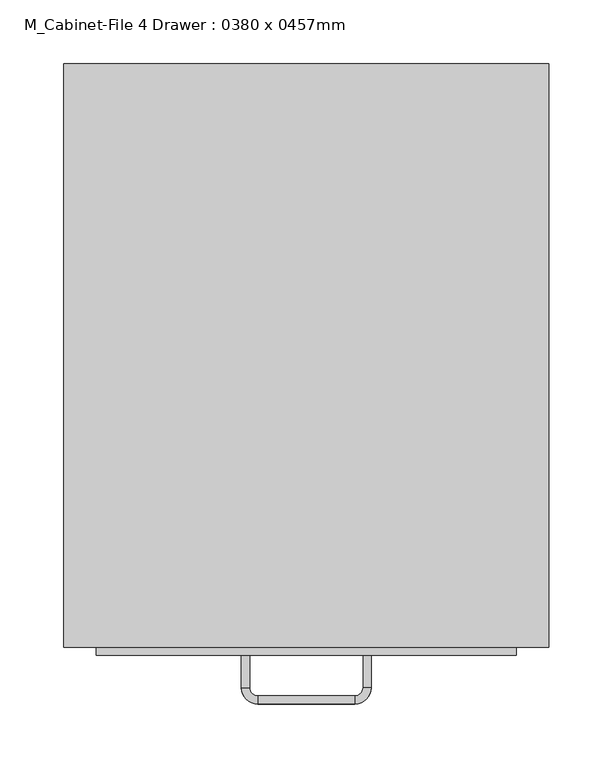
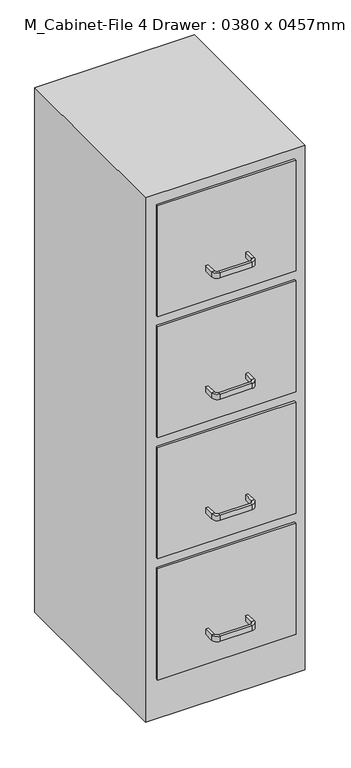
"""IFC4 building model written with IfcOpenShell, lengths in millimetres: furniture geometry, M_Cabinet-File 4 Drawer : 0380 x 0457mm."""

import ifcopenshell
import ifcopenshell.guid

model = None  # the IFC model being written
_history = None  # IfcOwnerHistory: only IFC2X3 demands one
_inside = {}  # id of a spatial element -> (the spatial element, [elements in it])
_under = {}  # id of a project, library or spatial element -> (it, [spatial elements below it])
_declared = {}  # id of a project -> (the project, [libraries it declares])
_typed = {}  # id of a type object -> (the type object, [elements of that type])
_made_of = {}  # id of a material, layer set ... -> (it, [elements and type objects made of it])


def new_model(schema):
    """Start an empty IFC model of exactly this schema.

    Asked for "IFC4X3", IfcOpenShell would pick the latest addendum, in which some entities
    have other attributes; the version numbers below select the first issue.
    IFC2X3 requires an IfcOwnerHistory on every rooted entity: one is made here for all.
    """
    global model, _history
    if schema == "IFC4X3":
        model = ifcopenshell.file(schema_version=(4, 3, 0, 0))
    else:
        model = ifcopenshell.file(schema=schema)
    _inside.clear()
    _under.clear()
    _declared.clear()
    _typed.clear()
    _made_of.clear()
    _history = None
    if model.schema == "IFC2X3":
        org = make("IfcOrganization", Name="unknown")
        user = make(
            "IfcPersonAndOrganization",
            ThePerson=make("IfcPerson", FamilyName="unknown"),
            TheOrganization=org,
        )
        app = make(
            "IfcApplication",
            ApplicationDeveloper=org,
            Version="unknown",
            ApplicationFullName="unknown",
            ApplicationIdentifier="unknown",
        )
        _history = make(
            "IfcOwnerHistory",
            OwningUser=user,
            OwningApplication=app,
            ChangeAction="ADDED",
            CreationDate=0,
        )
    return model


def make(cls, **values):
    """One entity of the class cls with the attributes given. An attribute that is None is left unset."""
    return model.create_entity(
        cls, **{name: value for name, value in values.items() if value is not None}
    )


def rooted(cls, **values):
    """An entity with a GlobalId (a new one), such as an element, a storey or a relation."""
    return make(cls, GlobalId=ifcopenshell.guid.new(), OwnerHistory=_history, **values)


def si_unit(unit_type, name, prefix=None):
    """IfcSIUnit, for example si_unit("LENGTHUNIT", "METRE", prefix="MILLI")."""
    return make("IfcSIUnit", UnitType=unit_type, Prefix=prefix, Name=name)


def assignment(units):
    """IfcUnitAssignment: the units of a project."""
    return None if units is None else make("IfcUnitAssignment", Units=units)


def point(xyz):
    """IfcCartesianPoint."""
    return None if xyz is None else make("IfcCartesianPoint", Coordinates=xyz)


def direction(xyz):
    """IfcDirection."""
    return None if xyz is None else make("IfcDirection", DirectionRatios=xyz)


def frame(location, z_axis=None, x_axis=None):
    """IfcAxis2Placement3D, a coordinate frame: its origin and axes. An axis left out is left unset."""
    return make(
        "IfcAxis2Placement3D",
        Location=point(location),
        Axis=direction(z_axis),
        RefDirection=direction(x_axis),
    )


def origin():
    """The frame at (0, 0, 0) with its axes left unset."""
    return frame((0.0, 0.0, 0.0))


def origin_with_axes():
    """The frame at (0, 0, 0) with the z axis (0, 0, 1) and the x axis (1, 0, 0) written out."""
    return frame((0.0, 0.0, 0.0), z_axis=(0.0, 0.0, 1.0), x_axis=(1.0, 0.0, 0.0))


def place(relative_to, where):
    """IfcLocalPlacement: puts the frame where relative to a parent placement (None: the world)."""
    return make(
        "IfcLocalPlacement", PlacementRelTo=relative_to, RelativePlacement=where
    )


def context(
    kind, dimensions, precision=None, world=None, true_north=None, identifier=None
):
    """IfcGeometricRepresentationContext, for example the 3D "Model" context."""
    return make(
        "IfcGeometricRepresentationContext",
        ContextIdentifier=identifier,
        ContextType=kind,
        CoordinateSpaceDimension=dimensions,
        Precision=precision,
        WorldCoordinateSystem=world,
        TrueNorth=true_north,
    )


def project(units=None, contexts=None):
    """IfcProject with its units and contexts."""
    return rooted(
        "IfcProject",
        Name="project",
        RepresentationContexts=contexts,
        UnitsInContext=assignment(units),
    )


def spatial(cls, under=None, at=None, **own):
    """A site, building, storey or space (cls), placed at a placement, below another one or the project."""
    s = rooted(cls, ObjectPlacement=at, **own)
    if under is not None:
        _under.setdefault(under.id(), (under, []))[1].append(s)
    return s


def polyline(points):
    """IfcPolyline through the points."""
    return make("IfcPolyline", Points=[point(p) for p in points])


def circle_curve(where, radius):
    """IfcCircle in the frame where."""
    return make("IfcCircle", Position=where, Radius=radius)


def outline(outer, holes=None, kind="AREA"):
    """IfcArbitraryClosedProfileDef: a profile drawn as a closed curve; with holes, ...WithVoids."""
    if holes is None:
        return make("IfcArbitraryClosedProfileDef", ProfileType=kind, OuterCurve=outer)
    return make(
        "IfcArbitraryProfileDefWithVoids",
        ProfileType=kind,
        OuterCurve=outer,
        InnerCurves=holes,
    )


def extrude(swept, where, along, depth):
    """IfcExtrudedAreaSolid: the profile swept, set in the frame where, extruded along a direction by depth."""
    return make(
        "IfcExtrudedAreaSolid",
        SweptArea=swept,
        Position=where,
        ExtrudedDirection=direction(along),
        Depth=depth,
    )


def shape(context_of_items, identifier, shape_type, items):
    """IfcShapeRepresentation: the items that make up one representation, for example the "Body"."""
    return make(
        "IfcShapeRepresentation",
        ContextOfItems=context_of_items,
        RepresentationIdentifier=identifier,
        RepresentationType=shape_type,
        Items=items,
    )


def source(mapping_origin, context_of_items, identifier, shape_type, items):
    """IfcRepresentationMap: a shape defined once, which mapped items show again and again."""
    return make(
        "IfcRepresentationMap",
        MappingOrigin=mapping_origin,
        MappedRepresentation=shape(context_of_items, identifier, shape_type, items),
    )


def transform(
    local_origin,
    x_axis=None,
    y_axis=None,
    z_axis=None,
    scale=None,
    scale2=None,
    scale3=None,
    uniform=True,
):
    """IfcCartesianTransformationOperator3D, or its non-uniform kind. x_axis, y_axis, z_axis: its Axis1, 2, 3."""
    if uniform:
        return make(
            "IfcCartesianTransformationOperator3D",
            Axis1=direction(x_axis),
            Axis2=direction(y_axis),
            LocalOrigin=point(local_origin),
            Scale=scale,
            Axis3=direction(z_axis),
        )
    return make(
        "IfcCartesianTransformationOperator3DnonUniform",
        Axis1=direction(x_axis),
        Axis2=direction(y_axis),
        LocalOrigin=point(local_origin),
        Scale=scale,
        Axis3=direction(z_axis),
        Scale2=scale2,
        Scale3=scale3,
    )


def mapped(mapping_source, mapping_target):
    """IfcMappedItem: shows the shape of a source again, moved by a transform."""
    return make(
        "IfcMappedItem", MappingSource=mapping_source, MappingTarget=mapping_target
    )


def made_of(thing, what):
    """Note that an element or type object is made of a material, layer set ...; save() writes the relation."""
    if what is not None:
        _made_of.setdefault(what.id(), (what, []))[1].append(thing)
    return thing


def element(
    cls,
    number,
    at=None,
    inside=None,
    cuts=None,
    type_object=None,
    material=None,
    context=None,
    identifier="Body",
    shape_type=None,
    held_by="IfcProductDefinitionShape",
    body=None,
    shapes=None,
    **own,
):
    """One element of the class cls, such as IfcWall. Its Tag is "e" and its number.

    at: its placement. inside: the storey or other place that contains it. cuts: it is an
    opening in that element (IfcRelVoidsElement). A single representation is given by context,
    identifier, shape_type and body (its items); several are given by shapes. held_by: the class
    of the entity that holds the representations. save() writes the other relations.
    """
    e = rooted(cls, Tag="e%d" % number, ObjectPlacement=at, **own)
    if body is not None:
        shapes = [shape(context, identifier, shape_type, body)]
    if shapes is not None:
        e.Representation = make(held_by, Representations=shapes)
    if inside is not None:
        _inside.setdefault(inside.id(), (inside, []))[1].append(e)
    if cuts is not None:
        rooted(
            "IfcRelVoidsElement", RelatingBuildingElement=cuts, RelatedOpeningElement=e
        )
    if type_object is not None:
        _typed.setdefault(type_object.id(), (type_object, []))[1].append(e)
    return made_of(e, material)


def aggregate(whole, parts):
    """IfcRelAggregates: a whole, such as a stair, and the parts it consists of."""
    return rooted("IfcRelAggregates", RelatingObject=whole, RelatedObjects=parts)


def save(model, path):
    """Write the relations noted so far, then the file.

    IfcRelAggregates (storeys below a building ...), IfcRelContainedInSpatialStructure (elements
    in a storey), IfcRelDefinesByType, IfcRelAssociatesMaterial and IfcRelDeclares: one each for
    every whole, place, type object, material and project.
    """
    for whole, parts in _under.values():
        aggregate(whole, parts)
    for where, things in _inside.values():
        rooted(
            "IfcRelContainedInSpatialStructure",
            RelatedElements=things,
            RelatingStructure=where,
        )
    for kind, things in _typed.values():
        rooted("IfcRelDefinesByType", RelatedObjects=things, RelatingType=kind)
    for what, things in _made_of.values():
        rooted("IfcRelAssociatesMaterial", RelatedObjects=things, RelatingMaterial=what)
    for by, libraries in _declared.values():
        rooted("IfcRelDeclares", RelatingContext=by, RelatedDefinitions=libraries)
    model.write(path)


def plane_surface(at):
    """IfcPlane: the flat surface through the origin of the frame at, square to its z axis."""
    return make("IfcPlane", Position=at)


def cylinder_surface(at, radius):
    """IfcCylindricalSurface: all points at the distance radius from the z axis of the frame at."""
    return make("IfcCylindricalSurface", Position=at, Radius=radius)


def revolved_surface(curve, axis_point, axis_direction):
    """IfcSurfaceOfRevolution: the curve turned about the line through axis_point along axis_direction."""
    return make(
        "IfcSurfaceOfRevolution",
        SweptCurve=make("IfcArbitraryOpenProfileDef", ProfileType="CURVE", Curve=curve),
        AxisPosition=make("IfcAxis1Placement", Location=point(axis_point), Axis=direction(axis_direction)),
    )


def advanced_brep(points, edges, surfaces, faces):
    """IfcAdvancedBrep: a solid bounded by faces that lie on surfaces and meet in shared edges.

    An edge is (start, end): straight between two places in points (the first is 0);
    or (start, end, curve); or (start, end, curve, False) where it runs against its curve.
    A face is (place in surfaces, loops), or (place, loops, False) where it looks against
    its surface's normal. A loop lists edges by number (the first is 1), with a minus sign
    where the edge is run from its end to its start. The first loop is the outer one.
    """
    corners = [point(p) for p in points]
    vertices = [make("IfcVertexPoint", VertexGeometry=c) for c in corners]
    made = []
    for start, end, *more in edges:
        made.append(
            make(
                "IfcEdgeCurve",
                EdgeStart=vertices[start],
                EdgeEnd=vertices[end],
                EdgeGeometry=more[0] if more else make("IfcPolyline", Points=[corners[start], corners[end]]),
                SameSense=more[1] if len(more) > 1 else True,
            )
        )
    hull = []
    for where, loops, *sense in faces:
        bounds = []
        for j, loop in enumerate(loops):
            ring = [make("IfcOrientedEdge", EdgeElement=made[abs(k) - 1], Orientation=k > 0) for k in loop]
            bounds.append(
                make(
                    "IfcFaceOuterBound" if j == 0 else "IfcFaceBound",
                    Bound=make("IfcEdgeLoop", EdgeList=ring),
                    Orientation=True,
                )
            )
        hull.append(make("IfcAdvancedFace", Bounds=bounds, FaceSurface=surfaces[where], SameSense=sense[0] if sense else True))
    return make("IfcAdvancedBrep", Outer=make("IfcClosedShell", CfsFaces=hull))


def m_cabinet_file_4_drawer_0380_x_0457mm_2699b43c(model_context):
    return source(origin(), model_context, "Body", "SolidModel", [
        extrude(outline(polyline([(62.103553, 86.3656999), (62.103553, -370.6343001), (-317.896447, -370.6343001), (-317.896447, 86.3656999), (62.103553, 86.3656999)])), origin_with_axes(), (0.0, 0.0, 1.0), 1320.0),
        extrude(outline(polyline([(36.703553, -376.9843001), (-292.496447, -376.9843001), (-292.496447, -370.6343001), (36.703553, -370.6343001), (36.703553, -376.9843001)])), frame((0.0, 0.0, 1016.0), z_axis=(0.0, 0.0, 1.0), x_axis=(1.0, 0.0, 0.0)), (0.0, 0.0, 1.0), 278.6),
        extrude(outline(polyline([(36.703553, -376.9843001), (-292.496447, -376.9843001), (-292.496447, -370.6343001), (36.703553, -370.6343001), (36.703553, -376.9843001)])), frame((0.0, 0.0, 711.2), z_axis=(0.0, 0.0, 1.0), x_axis=(1.0, 0.0, 0.0)), (0.0, 0.0, 1.0), 279.4),
        extrude(outline(polyline([(36.703553, -376.9843001), (-292.496447, -376.9843001), (-292.496447, -370.6343001), (36.703553, -370.6343001), (36.703553, -376.9843001)])), frame((0.0, 0.0, 406.4), z_axis=(0.0, 0.0, 1.0), x_axis=(1.0, 0.0, 0.0)), (0.0, 0.0, 1.0), 279.4),
        extrude(outline(polyline([(36.703553, -376.9843001), (-292.496447, -376.9843001), (-292.496447, -370.6343001), (36.703553, -370.6343001), (36.703553, -376.9843001)])), frame((0.0, 0.0, 101.6), z_axis=(0.0, 0.0, 1.0), x_axis=(1.0, 0.0, 0.0)), (0.0, 0.0, 1.0), 279.4),
        advanced_brep(
        [(-172.346447, -376.9843001, 177.8), (-178.696447, -376.9843001, 177.8), (-178.696447, -376.9843001, 190.5), (-172.346447, -376.9843001, 190.5), (-172.346447, -402.3843001, 177.8), (-178.696447, -402.3843001, 177.8), (-178.696447, -402.3843001, 190.5), (-172.346447, -402.3843001, 190.5), (-165.996447, -415.0843001, 177.8), (-165.996447, -408.7343001, 177.8), (-165.996447, -415.0843001, 190.5), (-165.996447, -408.7343001, 190.5), (-89.796447, -408.7343001, 177.8), (-89.796447, -415.0843001, 177.8), (-89.796447, -415.0843001, 190.5), (-89.796447, -408.7343001, 190.5), (-77.096447, -402.3843001, 177.8), (-83.446447, -402.3843001, 177.8), (-77.096447, -402.3843001, 190.5), (-83.446447, -402.3843001, 190.5), (-83.446447, -376.9843001, 177.8), (-83.446447, -376.9843001, 190.5), (-77.096447, -376.9843001, 190.5), (-77.096447, -376.9843001, 177.8)],
        [
            (0, 1),
            (1, 2),
            (2, 3),
            (3, 0),
            (0, 4),
            (4, 5),
            (5, 1),
            (5, 6),
            (6, 2),
            (6, 7),
            (7, 3),
            (7, 4),
            (8, 5, circle_curve(frame((-165.996447, -402.3843001, 177.8), z_axis=(0.0, 0.0, -1.0), x_axis=(-1.0, 0.0, 0.0)), 12.7)),
            (4, 9, circle_curve(frame((-165.996447, -402.3843001, 177.8), z_axis=(0.0, 0.0, 1.0), x_axis=(-1.0, 0.0, 0.0)), 6.35)),
            (9, 8),
            (10, 6, circle_curve(frame((-165.996447, -402.3843001, 190.5), z_axis=(0.0, 0.0, -1.0), x_axis=(-1.0, 0.0, 0.0)), 12.7)),
            (8, 10),
            (11, 7, circle_curve(frame((-165.996447, -402.3843001, 190.5), z_axis=(0.0, 0.0, -1.0), x_axis=(-1.0, 0.0, 0.0)), 6.35)),
            (10, 11),
            (11, 9),
            (9, 12),
            (12, 13),
            (13, 8),
            (13, 14),
            (14, 10),
            (14, 15),
            (15, 11),
            (15, 12),
            (16, 13, circle_curve(frame((-89.796447, -402.3843001, 177.8), z_axis=(0.0, 0.0, -1.0), x_axis=(0.0, -1.0, 0.0)), 12.7)),
            (12, 17, circle_curve(frame((-89.796447, -402.3843001, 177.8), z_axis=(0.0, 0.0, 1.0), x_axis=(0.0, -1.0, 0.0)), 6.35)),
            (17, 16),
            (18, 14, circle_curve(frame((-89.796447, -402.3843001, 190.5), z_axis=(0.0, 0.0, -1.0), x_axis=(0.0, -1.0, 0.0)), 12.7)),
            (16, 18),
            (19, 15, circle_curve(frame((-89.796447, -402.3843001, 190.5), z_axis=(0.0, 0.0, -1.0), x_axis=(0.0, -1.0, 0.0)), 6.35)),
            (18, 19),
            (19, 17),
            (20, 21),
            (21, 22),
            (22, 23),
            (23, 20),
            (17, 20),
            (23, 16),
            (22, 18),
            (21, 19),
        ],
        [
            plane_surface(frame((-1283.614694, -376.9843001, 0.0), z_axis=(0.0, 1.0, 0.0), x_axis=(0.0, 0.0, -1.0))),
            plane_surface(frame((-172.346447, -376.9843001, 177.8), z_axis=(0.0, 0.0, -1.0), x_axis=(0.0, -1.0, 0.0))),
            plane_surface(frame((-178.696447, -376.9843001, 177.8), z_axis=(-1.0, 0.0, 0.0), x_axis=(0.0, -1.0, 0.0))),
            plane_surface(frame((-178.696447, -376.9843001, 190.5), z_axis=(0.0, 0.0, 1.0), x_axis=(0.0, -1.0, 0.0))),
            plane_surface(frame((-172.346447, -376.9843001, 190.5), z_axis=(1.0, 0.0, 0.0), x_axis=(0.0, -1.0, 0.0))),
            plane_surface(frame((-165.996447, -402.3843001, 177.8), z_axis=(0.0, 0.0, -1.0), x_axis=(-1.0, 0.0, 0.0))),
            cylinder_surface(frame((-165.996447, -402.3843001, 0.0), z_axis=(0.0, 0.0, 1.0), x_axis=(-1.0, 0.0, 0.0)), 12.7),
            plane_surface(frame((-165.996447, -402.3843001, 190.5), z_axis=(0.0, 0.0, 1.0), x_axis=(-1.0, 0.0, 0.0))),
            revolved_surface(polyline([(-172.34644699999998, -402.3843001, 190.5), (-172.34644699999998, -402.3843001, 177.8)]), (-165.996447, -402.3843001, 0.0), (0.0, 0.0, 1.0)),
            plane_surface(frame((-165.996447, -408.7343001, 177.8), z_axis=(0.0, 0.0, -1.0), x_axis=(1.0, 0.0, 0.0))),
            plane_surface(frame((-165.996447, -415.0843001, 177.8), z_axis=(0.0, -1.0, 0.0), x_axis=(1.0, 0.0, 0.0))),
            plane_surface(frame((-165.996447, -415.0843001, 190.5), z_axis=(0.0, 0.0, 1.0), x_axis=(1.0, 0.0, 0.0))),
            plane_surface(frame((-165.996447, -408.7343001, 190.5), z_axis=(0.0, 1.0, 0.0), x_axis=(1.0, 0.0, 0.0))),
            plane_surface(frame((-89.796447, -402.3843001, 177.8), z_axis=(0.0, 0.0, -1.0), x_axis=(0.0, -1.0, 0.0))),
            cylinder_surface(frame((-89.796447, -402.3843001, 0.0), z_axis=(0.0, 0.0, 1.0), x_axis=(0.0, -1.0, 0.0)), 12.7),
            plane_surface(frame((-89.796447, -402.3843001, 190.5), z_axis=(0.0, 0.0, 1.0), x_axis=(0.0, -1.0, 0.0))),
            revolved_surface(polyline([(-89.796447, -408.73430010000004, 190.5), (-89.796447, -408.73430010000004, 177.8)]), (-89.796447, -402.3843001, 0.0), (0.0, 0.0, 1.0)),
            plane_surface(frame((-1182.014694, -376.9843001, 0.0), z_axis=(0.0, 1.0, 0.0), x_axis=(0.0, 0.0, 1.0))),
            plane_surface(frame((-83.446447, -402.3843001, 177.8), z_axis=(0.0, 0.0, -1.0), x_axis=(0.0, 1.0, 0.0))),
            plane_surface(frame((-77.096447, -402.3843001, 177.8), z_axis=(1.0, 0.0, 0.0), x_axis=(0.0, 1.0, 0.0))),
            plane_surface(frame((-77.096447, -402.3843001, 190.5), z_axis=(0.0, 0.0, 1.0), x_axis=(0.0, 1.0, 0.0))),
            plane_surface(frame((-83.446447, -402.3843001, 190.5), z_axis=(-1.0, 0.0, 0.0), x_axis=(0.0, 1.0, 0.0))),
        ],
        [
            (0, [[1, 2, 3, 4]]),
            (1, [[-1, 5, 6, 7]]),
            (2, [[-2, -7, 8, 9]]),
            (3, [[-3, -9, 10, 11]]),
            (4, [[-4, -11, 12, -5]]),
            (5, [[13, -6, 14, 15]]),
            (6, [[16, -8, -13, 17]]),
            (7, [[18, -10, -16, 19]]),
            (8, [[-14, -12, -18, 20]]),
            (9, [[-15, 21, 22, 23]]),
            (10, [[-17, -23, 24, 25]]),
            (11, [[-19, -25, 26, 27]]),
            (12, [[-20, -27, 28, -21]]),
            (13, [[29, -22, 30, 31]]),
            (14, [[32, -24, -29, 33]]),
            (15, [[34, -26, -32, 35]]),
            (16, [[-30, -28, -34, 36]]),
            (17, [[37, 38, 39, 40]]),
            (18, [[-31, 41, -40, 42]]),
            (19, [[-33, -42, -39, 43]]),
            (20, [[-35, -43, -38, 44]]),
            (21, [[-36, -44, -37, -41]]),
        ],
    ),
        advanced_brep(
        [(-172.346447, -376.9843001, 482.6), (-178.696447, -376.9843001, 482.6), (-178.696447, -376.9843001, 495.3), (-172.346447, -376.9843001, 495.3), (-172.346447, -402.3843001, 482.6), (-178.696447, -402.3843001, 482.6), (-178.696447, -402.3843001, 495.3), (-172.346447, -402.3843001, 495.3), (-165.996447, -415.0843001, 482.6), (-165.996447, -408.7343001, 482.6), (-165.996447, -415.0843001, 495.3), (-165.996447, -408.7343001, 495.3), (-89.796447, -408.7343001, 482.6), (-89.796447, -415.0843001, 482.6), (-89.796447, -415.0843001, 495.3), (-89.796447, -408.7343001, 495.3), (-77.096447, -402.3843001, 482.6), (-83.446447, -402.3843001, 482.6), (-77.096447, -402.3843001, 495.3), (-83.446447, -402.3843001, 495.3), (-83.446447, -376.9843001, 482.6), (-83.446447, -376.9843001, 495.3), (-77.096447, -376.9843001, 495.3), (-77.096447, -376.9843001, 482.6)],
        [
            (0, 1),
            (1, 2),
            (2, 3),
            (3, 0),
            (0, 4),
            (4, 5),
            (5, 1),
            (5, 6),
            (6, 2),
            (6, 7),
            (7, 3),
            (7, 4),
            (8, 5, circle_curve(frame((-165.996447, -402.3843001, 482.6), z_axis=(0.0, 0.0, -1.0), x_axis=(-1.0, 0.0, 0.0)), 12.7)),
            (4, 9, circle_curve(frame((-165.996447, -402.3843001, 482.6), z_axis=(0.0, 0.0, 1.0), x_axis=(-1.0, 0.0, 0.0)), 6.35)),
            (9, 8),
            (10, 6, circle_curve(frame((-165.996447, -402.3843001, 495.3), z_axis=(0.0, 0.0, -1.0), x_axis=(-1.0, 0.0, 0.0)), 12.7)),
            (8, 10),
            (11, 7, circle_curve(frame((-165.996447, -402.3843001, 495.3), z_axis=(0.0, 0.0, -1.0), x_axis=(-1.0, 0.0, 0.0)), 6.35)),
            (10, 11),
            (11, 9),
            (9, 12),
            (12, 13),
            (13, 8),
            (13, 14),
            (14, 10),
            (14, 15),
            (15, 11),
            (15, 12),
            (16, 13, circle_curve(frame((-89.796447, -402.3843001, 482.6), z_axis=(0.0, 0.0, -1.0), x_axis=(0.0, -1.0, 0.0)), 12.7)),
            (12, 17, circle_curve(frame((-89.796447, -402.3843001, 482.6), z_axis=(0.0, 0.0, 1.0), x_axis=(0.0, -1.0, 0.0)), 6.35)),
            (17, 16),
            (18, 14, circle_curve(frame((-89.796447, -402.3843001, 495.3), z_axis=(0.0, 0.0, -1.0), x_axis=(0.0, -1.0, 0.0)), 12.7)),
            (16, 18),
            (19, 15, circle_curve(frame((-89.796447, -402.3843001, 495.3), z_axis=(0.0, 0.0, -1.0), x_axis=(0.0, -1.0, 0.0)), 6.35)),
            (18, 19),
            (19, 17),
            (20, 21),
            (21, 22),
            (22, 23),
            (23, 20),
            (17, 20),
            (23, 16),
            (22, 18),
            (21, 19),
        ],
        [
            plane_surface(frame((-1283.614694, -376.9843001, 0.0), z_axis=(0.0, 1.0, 0.0), x_axis=(0.0, 0.0, -1.0))),
            plane_surface(frame((-172.346447, -376.9843001, 482.6), z_axis=(0.0, 0.0, -1.0), x_axis=(0.0, -1.0, 0.0))),
            plane_surface(frame((-178.696447, -376.9843001, 482.6), z_axis=(-1.0, 0.0, 0.0), x_axis=(0.0, -1.0, 0.0))),
            plane_surface(frame((-178.696447, -376.9843001, 495.3), z_axis=(0.0, 0.0, 1.0), x_axis=(0.0, -1.0, 0.0))),
            plane_surface(frame((-172.346447, -376.9843001, 495.3), z_axis=(1.0, 0.0, 0.0), x_axis=(0.0, -1.0, 0.0))),
            plane_surface(frame((-165.996447, -402.3843001, 482.6), z_axis=(0.0, 0.0, -1.0), x_axis=(-1.0, 0.0, 0.0))),
            cylinder_surface(frame((-165.996447, -402.3843001, 0.0), z_axis=(0.0, 0.0, 1.0), x_axis=(-1.0, 0.0, 0.0)), 12.7),
            plane_surface(frame((-165.996447, -402.3843001, 495.3), z_axis=(0.0, 0.0, 1.0), x_axis=(-1.0, 0.0, 0.0))),
            revolved_surface(polyline([(-172.34644699999998, -402.3843001, 495.3), (-172.34644699999998, -402.3843001, 482.6)]), (-165.996447, -402.3843001, 0.0), (0.0, 0.0, 1.0)),
            plane_surface(frame((-165.996447, -408.7343001, 482.6), z_axis=(0.0, 0.0, -1.0), x_axis=(1.0, 0.0, 0.0))),
            plane_surface(frame((-165.996447, -415.0843001, 482.6), z_axis=(0.0, -1.0, 0.0), x_axis=(1.0, 0.0, 0.0))),
            plane_surface(frame((-165.996447, -415.0843001, 495.3), z_axis=(0.0, 0.0, 1.0), x_axis=(1.0, 0.0, 0.0))),
            plane_surface(frame((-165.996447, -408.7343001, 495.3), z_axis=(0.0, 1.0, 0.0), x_axis=(1.0, 0.0, 0.0))),
            plane_surface(frame((-89.796447, -402.3843001, 482.6), z_axis=(0.0, 0.0, -1.0), x_axis=(0.0, -1.0, 0.0))),
            cylinder_surface(frame((-89.796447, -402.3843001, 0.0), z_axis=(0.0, 0.0, 1.0), x_axis=(0.0, -1.0, 0.0)), 12.7),
            plane_surface(frame((-89.796447, -402.3843001, 495.3), z_axis=(0.0, 0.0, 1.0), x_axis=(0.0, -1.0, 0.0))),
            revolved_surface(polyline([(-89.796447, -408.73430010000004, 495.3), (-89.796447, -408.73430010000004, 482.6)]), (-89.796447, -402.3843001, 0.0), (0.0, 0.0, 1.0)),
            plane_surface(frame((-1182.014694, -376.9843001, 0.0), z_axis=(0.0, 1.0, 0.0), x_axis=(0.0, 0.0, 1.0))),
            plane_surface(frame((-83.446447, -402.3843001, 482.6), z_axis=(0.0, 0.0, -1.0), x_axis=(0.0, 1.0, 0.0))),
            plane_surface(frame((-77.096447, -402.3843001, 482.6), z_axis=(1.0, 0.0, 0.0), x_axis=(0.0, 1.0, 0.0))),
            plane_surface(frame((-77.096447, -402.3843001, 495.3), z_axis=(0.0, 0.0, 1.0), x_axis=(0.0, 1.0, 0.0))),
            plane_surface(frame((-83.446447, -402.3843001, 495.3), z_axis=(-1.0, 0.0, 0.0), x_axis=(0.0, 1.0, 0.0))),
        ],
        [
            (0, [[1, 2, 3, 4]]),
            (1, [[-1, 5, 6, 7]]),
            (2, [[-2, -7, 8, 9]]),
            (3, [[-3, -9, 10, 11]]),
            (4, [[-4, -11, 12, -5]]),
            (5, [[13, -6, 14, 15]]),
            (6, [[16, -8, -13, 17]]),
            (7, [[18, -10, -16, 19]]),
            (8, [[-14, -12, -18, 20]]),
            (9, [[-15, 21, 22, 23]]),
            (10, [[-17, -23, 24, 25]]),
            (11, [[-19, -25, 26, 27]]),
            (12, [[-20, -27, 28, -21]]),
            (13, [[29, -22, 30, 31]]),
            (14, [[32, -24, -29, 33]]),
            (15, [[34, -26, -32, 35]]),
            (16, [[-30, -28, -34, 36]]),
            (17, [[37, 38, 39, 40]]),
            (18, [[-31, 41, -40, 42]]),
            (19, [[-33, -42, -39, 43]]),
            (20, [[-35, -43, -38, 44]]),
            (21, [[-36, -44, -37, -41]]),
        ],
    ),
        advanced_brep(
        [(-172.346447, -376.9843001, 787.4), (-178.696447, -376.9843001, 787.4), (-178.696447, -376.9843001, 800.1), (-172.346447, -376.9843001, 800.1), (-172.346447, -402.3843001, 787.4), (-178.696447, -402.3843001, 787.4), (-178.696447, -402.3843001, 800.1), (-172.346447, -402.3843001, 800.1), (-165.996447, -415.0843001, 787.4), (-165.996447, -408.7343001, 787.4), (-165.996447, -415.0843001, 800.1), (-165.996447, -408.7343001, 800.1), (-89.796447, -408.7343001, 787.4), (-89.796447, -415.0843001, 787.4), (-89.796447, -415.0843001, 800.1), (-89.796447, -408.7343001, 800.1), (-77.096447, -402.3843001, 787.4), (-83.446447, -402.3843001, 787.4), (-77.096447, -402.3843001, 800.1), (-83.446447, -402.3843001, 800.1), (-83.446447, -376.9843001, 787.4), (-83.446447, -376.9843001, 800.1), (-77.096447, -376.9843001, 800.1), (-77.096447, -376.9843001, 787.4)],
        [
            (0, 1),
            (1, 2),
            (2, 3),
            (3, 0),
            (0, 4),
            (4, 5),
            (5, 1),
            (5, 6),
            (6, 2),
            (6, 7),
            (7, 3),
            (7, 4),
            (8, 5, circle_curve(frame((-165.996447, -402.3843001, 787.4), z_axis=(0.0, 0.0, -1.0), x_axis=(-1.0, 0.0, 0.0)), 12.7)),
            (4, 9, circle_curve(frame((-165.996447, -402.3843001, 787.4), z_axis=(0.0, 0.0, 1.0), x_axis=(-1.0, 0.0, 0.0)), 6.35)),
            (9, 8),
            (10, 6, circle_curve(frame((-165.996447, -402.3843001, 800.1), z_axis=(0.0, 0.0, -1.0), x_axis=(-1.0, 0.0, 0.0)), 12.7)),
            (8, 10),
            (11, 7, circle_curve(frame((-165.996447, -402.3843001, 800.1), z_axis=(0.0, 0.0, -1.0), x_axis=(-1.0, 0.0, 0.0)), 6.35)),
            (10, 11),
            (11, 9),
            (9, 12),
            (12, 13),
            (13, 8),
            (13, 14),
            (14, 10),
            (14, 15),
            (15, 11),
            (15, 12),
            (16, 13, circle_curve(frame((-89.796447, -402.3843001, 787.4), z_axis=(0.0, 0.0, -1.0), x_axis=(0.0, -1.0, 0.0)), 12.7)),
            (12, 17, circle_curve(frame((-89.796447, -402.3843001, 787.4), z_axis=(0.0, 0.0, 1.0), x_axis=(0.0, -1.0, 0.0)), 6.35)),
            (17, 16),
            (18, 14, circle_curve(frame((-89.796447, -402.3843001, 800.1), z_axis=(0.0, 0.0, -1.0), x_axis=(0.0, -1.0, 0.0)), 12.7)),
            (16, 18),
            (19, 15, circle_curve(frame((-89.796447, -402.3843001, 800.1), z_axis=(0.0, 0.0, -1.0), x_axis=(0.0, -1.0, 0.0)), 6.35)),
            (18, 19),
            (19, 17),
            (20, 21),
            (21, 22),
            (22, 23),
            (23, 20),
            (17, 20),
            (23, 16),
            (22, 18),
            (21, 19),
        ],
        [
            plane_surface(frame((-1283.614694, -376.9843001, 0.0), z_axis=(0.0, 1.0, 0.0), x_axis=(0.0, 0.0, -1.0))),
            plane_surface(frame((-172.346447, -376.9843001, 787.4), z_axis=(0.0, 0.0, -1.0), x_axis=(0.0, -1.0, 0.0))),
            plane_surface(frame((-178.696447, -376.9843001, 787.4), z_axis=(-1.0, 0.0, 0.0), x_axis=(0.0, -1.0, 0.0))),
            plane_surface(frame((-178.696447, -376.9843001, 800.1), z_axis=(0.0, 0.0, 1.0), x_axis=(0.0, -1.0, 0.0))),
            plane_surface(frame((-172.346447, -376.9843001, 800.1), z_axis=(1.0, 0.0, 0.0), x_axis=(0.0, -1.0, 0.0))),
            plane_surface(frame((-165.996447, -402.3843001, 787.4), z_axis=(0.0, 0.0, -1.0), x_axis=(-1.0, 0.0, 0.0))),
            cylinder_surface(frame((-165.996447, -402.3843001, 0.0), z_axis=(0.0, 0.0, 1.0), x_axis=(-1.0, 0.0, 0.0)), 12.7),
            plane_surface(frame((-165.996447, -402.3843001, 800.1), z_axis=(0.0, 0.0, 1.0), x_axis=(-1.0, 0.0, 0.0))),
            revolved_surface(polyline([(-172.34644699999998, -402.3843001, 800.1), (-172.34644699999998, -402.3843001, 787.4)]), (-165.996447, -402.3843001, 0.0), (0.0, 0.0, 1.0)),
            plane_surface(frame((-165.996447, -408.7343001, 787.4), z_axis=(0.0, 0.0, -1.0), x_axis=(1.0, 0.0, 0.0))),
            plane_surface(frame((-165.996447, -415.0843001, 787.4), z_axis=(0.0, -1.0, 0.0), x_axis=(1.0, 0.0, 0.0))),
            plane_surface(frame((-165.996447, -415.0843001, 800.1), z_axis=(0.0, 0.0, 1.0), x_axis=(1.0, 0.0, 0.0))),
            plane_surface(frame((-165.996447, -408.7343001, 800.1), z_axis=(0.0, 1.0, 0.0), x_axis=(1.0, 0.0, 0.0))),
            plane_surface(frame((-89.796447, -402.3843001, 787.4), z_axis=(0.0, 0.0, -1.0), x_axis=(0.0, -1.0, 0.0))),
            cylinder_surface(frame((-89.796447, -402.3843001, 0.0), z_axis=(0.0, 0.0, 1.0), x_axis=(0.0, -1.0, 0.0)), 12.7),
            plane_surface(frame((-89.796447, -402.3843001, 800.1), z_axis=(0.0, 0.0, 1.0), x_axis=(0.0, -1.0, 0.0))),
            revolved_surface(polyline([(-89.796447, -408.73430010000004, 800.1), (-89.796447, -408.73430010000004, 787.4)]), (-89.796447, -402.3843001, 0.0), (0.0, 0.0, 1.0)),
            plane_surface(frame((-1182.014694, -376.9843001, 0.0), z_axis=(0.0, 1.0, 0.0), x_axis=(0.0, 0.0, 1.0))),
            plane_surface(frame((-83.446447, -402.3843001, 787.4), z_axis=(0.0, 0.0, -1.0), x_axis=(0.0, 1.0, 0.0))),
            plane_surface(frame((-77.096447, -402.3843001, 787.4), z_axis=(1.0, 0.0, 0.0), x_axis=(0.0, 1.0, 0.0))),
            plane_surface(frame((-77.096447, -402.3843001, 800.1), z_axis=(0.0, 0.0, 1.0), x_axis=(0.0, 1.0, 0.0))),
            plane_surface(frame((-83.446447, -402.3843001, 800.1), z_axis=(-1.0, 0.0, 0.0), x_axis=(0.0, 1.0, 0.0))),
        ],
        [
            (0, [[1, 2, 3, 4]]),
            (1, [[-1, 5, 6, 7]]),
            (2, [[-2, -7, 8, 9]]),
            (3, [[-3, -9, 10, 11]]),
            (4, [[-4, -11, 12, -5]]),
            (5, [[13, -6, 14, 15]]),
            (6, [[16, -8, -13, 17]]),
            (7, [[18, -10, -16, 19]]),
            (8, [[-14, -12, -18, 20]]),
            (9, [[-15, 21, 22, 23]]),
            (10, [[-17, -23, 24, 25]]),
            (11, [[-19, -25, 26, 27]]),
            (12, [[-20, -27, 28, -21]]),
            (13, [[29, -22, 30, 31]]),
            (14, [[32, -24, -29, 33]]),
            (15, [[34, -26, -32, 35]]),
            (16, [[-30, -28, -34, 36]]),
            (17, [[37, 38, 39, 40]]),
            (18, [[-31, 41, -40, 42]]),
            (19, [[-33, -42, -39, 43]]),
            (20, [[-35, -43, -38, 44]]),
            (21, [[-36, -44, -37, -41]]),
        ],
    ),
        advanced_brep(
        [(-172.346447, -376.9843001, 1092.2), (-178.696447, -376.9843001, 1092.2), (-178.696447, -376.9843001, 1104.9), (-172.346447, -376.9843001, 1104.9), (-172.346447, -402.3843001, 1092.2), (-178.696447, -402.3843001, 1092.2), (-178.696447, -402.3843001, 1104.9), (-172.346447, -402.3843001, 1104.9), (-165.996447, -415.0843001, 1092.2), (-165.996447, -408.7343001, 1092.2), (-165.996447, -415.0843001, 1104.9), (-165.996447, -408.7343001, 1104.9), (-89.796447, -408.7343001, 1092.2), (-89.796447, -415.0843001, 1092.2), (-89.796447, -415.0843001, 1104.9), (-89.796447, -408.7343001, 1104.9), (-77.096447, -402.3843001, 1092.2), (-83.446447, -402.3843001, 1092.2), (-77.096447, -402.3843001, 1104.9), (-83.446447, -402.3843001, 1104.9), (-83.446447, -376.9843001, 1092.2), (-83.446447, -376.9843001, 1104.9), (-77.096447, -376.9843001, 1104.9), (-77.096447, -376.9843001, 1092.2)],
        [
            (0, 1),
            (1, 2),
            (2, 3),
            (3, 0),
            (0, 4),
            (4, 5),
            (5, 1),
            (5, 6),
            (6, 2),
            (6, 7),
            (7, 3),
            (7, 4),
            (8, 5, circle_curve(frame((-165.996447, -402.3843001, 1092.2), z_axis=(0.0, 0.0, -1.0), x_axis=(-1.0, 0.0, 0.0)), 12.7)),
            (4, 9, circle_curve(frame((-165.996447, -402.3843001, 1092.2), z_axis=(0.0, 0.0, 1.0), x_axis=(-1.0, 0.0, 0.0)), 6.35)),
            (9, 8),
            (10, 6, circle_curve(frame((-165.996447, -402.3843001, 1104.9), z_axis=(0.0, 0.0, -1.0), x_axis=(-1.0, 0.0, 0.0)), 12.7)),
            (8, 10),
            (11, 7, circle_curve(frame((-165.996447, -402.3843001, 1104.9), z_axis=(0.0, 0.0, -1.0), x_axis=(-1.0, 0.0, 0.0)), 6.35)),
            (10, 11),
            (11, 9),
            (9, 12),
            (12, 13),
            (13, 8),
            (13, 14),
            (14, 10),
            (14, 15),
            (15, 11),
            (15, 12),
            (16, 13, circle_curve(frame((-89.796447, -402.3843001, 1092.2), z_axis=(0.0, 0.0, -1.0), x_axis=(0.0, -1.0, 0.0)), 12.7)),
            (12, 17, circle_curve(frame((-89.796447, -402.3843001, 1092.2), z_axis=(0.0, 0.0, 1.0), x_axis=(0.0, -1.0, 0.0)), 6.35)),
            (17, 16),
            (18, 14, circle_curve(frame((-89.796447, -402.3843001, 1104.9), z_axis=(0.0, 0.0, -1.0), x_axis=(0.0, -1.0, 0.0)), 12.7)),
            (16, 18),
            (19, 15, circle_curve(frame((-89.796447, -402.3843001, 1104.9), z_axis=(0.0, 0.0, -1.0), x_axis=(0.0, -1.0, 0.0)), 6.35)),
            (18, 19),
            (19, 17),
            (20, 21),
            (21, 22),
            (22, 23),
            (23, 20),
            (17, 20),
            (23, 16),
            (22, 18),
            (21, 19),
        ],
        [
            plane_surface(frame((-1283.614694, -376.9843001, 0.0), z_axis=(0.0, 1.0, 0.0), x_axis=(0.0, 0.0, -1.0))),
            plane_surface(frame((-172.346447, -376.9843001, 1092.2), z_axis=(0.0, 0.0, -1.0), x_axis=(0.0, -1.0, 0.0))),
            plane_surface(frame((-178.696447, -376.9843001, 1092.2), z_axis=(-1.0, 0.0, 0.0), x_axis=(0.0, -1.0, 0.0))),
            plane_surface(frame((-178.696447, -376.9843001, 1104.9), z_axis=(0.0, 0.0, 1.0), x_axis=(0.0, -1.0, 0.0))),
            plane_surface(frame((-172.346447, -376.9843001, 1104.9), z_axis=(1.0, 0.0, 0.0), x_axis=(0.0, -1.0, 0.0))),
            plane_surface(frame((-165.996447, -402.3843001, 1092.2), z_axis=(0.0, 0.0, -1.0), x_axis=(-1.0, 0.0, 0.0))),
            cylinder_surface(frame((-165.996447, -402.3843001, 0.0), z_axis=(0.0, 0.0, 1.0), x_axis=(-1.0, 0.0, 0.0)), 12.7),
            plane_surface(frame((-165.996447, -402.3843001, 1104.9), z_axis=(0.0, 0.0, 1.0), x_axis=(-1.0, 0.0, 0.0))),
            revolved_surface(polyline([(-172.34644699999998, -402.3843001, 1104.9), (-172.34644699999998, -402.3843001, 1092.2)]), (-165.996447, -402.3843001, 0.0), (0.0, 0.0, 1.0)),
            plane_surface(frame((-165.996447, -408.7343001, 1092.2), z_axis=(0.0, 0.0, -1.0), x_axis=(1.0, 0.0, 0.0))),
            plane_surface(frame((-165.996447, -415.0843001, 1092.2), z_axis=(0.0, -1.0, 0.0), x_axis=(1.0, 0.0, 0.0))),
            plane_surface(frame((-165.996447, -415.0843001, 1104.9), z_axis=(0.0, 0.0, 1.0), x_axis=(1.0, 0.0, 0.0))),
            plane_surface(frame((-165.996447, -408.7343001, 1104.9), z_axis=(0.0, 1.0, 0.0), x_axis=(1.0, 0.0, 0.0))),
            plane_surface(frame((-89.796447, -402.3843001, 1092.2), z_axis=(0.0, 0.0, -1.0), x_axis=(0.0, -1.0, 0.0))),
            cylinder_surface(frame((-89.796447, -402.3843001, 0.0), z_axis=(0.0, 0.0, 1.0), x_axis=(0.0, -1.0, 0.0)), 12.7),
            plane_surface(frame((-89.796447, -402.3843001, 1104.9), z_axis=(0.0, 0.0, 1.0), x_axis=(0.0, -1.0, 0.0))),
            revolved_surface(polyline([(-89.796447, -408.73430010000004, 1104.9), (-89.796447, -408.73430010000004, 1092.2)]), (-89.796447, -402.3843001, 0.0), (0.0, 0.0, 1.0)),
            plane_surface(frame((-1182.014694, -376.9843001, 0.0), z_axis=(0.0, 1.0, 0.0), x_axis=(0.0, 0.0, 1.0))),
            plane_surface(frame((-83.446447, -402.3843001, 1092.2), z_axis=(0.0, 0.0, -1.0), x_axis=(0.0, 1.0, 0.0))),
            plane_surface(frame((-77.096447, -402.3843001, 1092.2), z_axis=(1.0, 0.0, 0.0), x_axis=(0.0, 1.0, 0.0))),
            plane_surface(frame((-77.096447, -402.3843001, 1104.9), z_axis=(0.0, 0.0, 1.0), x_axis=(0.0, 1.0, 0.0))),
            plane_surface(frame((-83.446447, -402.3843001, 1104.9), z_axis=(-1.0, 0.0, 0.0), x_axis=(0.0, 1.0, 0.0))),
        ],
        [
            (0, [[1, 2, 3, 4]]),
            (1, [[-1, 5, 6, 7]]),
            (2, [[-2, -7, 8, 9]]),
            (3, [[-3, -9, 10, 11]]),
            (4, [[-4, -11, 12, -5]]),
            (5, [[13, -6, 14, 15]]),
            (6, [[16, -8, -13, 17]]),
            (7, [[18, -10, -16, 19]]),
            (8, [[-14, -12, -18, 20]]),
            (9, [[-15, 21, 22, 23]]),
            (10, [[-17, -23, 24, 25]]),
            (11, [[-19, -25, 26, 27]]),
            (12, [[-20, -27, 28, -21]]),
            (13, [[29, -22, 30, 31]]),
            (14, [[32, -24, -29, 33]]),
            (15, [[34, -26, -32, 35]]),
            (16, [[-30, -28, -34, 36]]),
            (17, [[37, 38, 39, 40]]),
            (18, [[-31, 41, -40, 42]]),
            (19, [[-33, -42, -39, 43]]),
            (20, [[-35, -43, -38, 44]]),
            (21, [[-36, -44, -37, -41]]),
        ],
    ),
    ])


if __name__ == "__main__":
    model = new_model("IFC4")
    model_context = context("Model", 3, world=origin())
    ifc_project = project(units=[si_unit("LENGTHUNIT", "METRE", prefix="MILLI")], contexts=[model_context])
    site = spatial("IfcSite", under=ifc_project)
    building = spatial("IfcBuilding", under=site)
    placement = place(None, origin())
    m_cabinet_file_4_drawer_0380_x_0457mm_shape = m_cabinet_file_4_drawer_0380_x_0457mm_2699b43c(model_context)
    element("IfcFurniture", 1, ObjectType="M_Cabinet-File 4 Drawer : 0380 x 0457mm", at=placement, inside=building, context=model_context, shape_type="MappedRepresentation", body=[
        mapped(m_cabinet_file_4_drawer_0380_x_0457mm_shape, transform((0.0, 0.0, 0.0), x_axis=(1.0, 0.0, 0.0), y_axis=(0.0, 1.0, 0.0), z_axis=(0.0, 0.0, 1.0))),
    ])
    save(model, "model.ifc")
